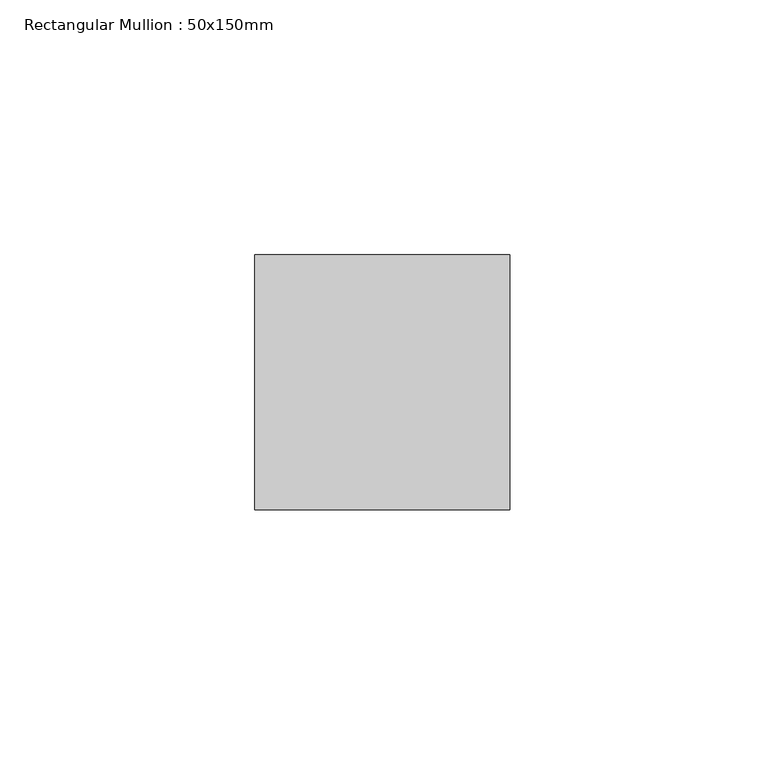
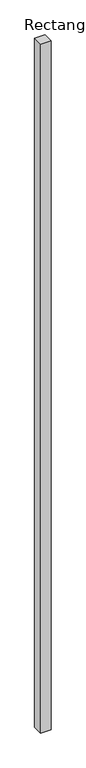
"""IFC4 building model written with IfcOpenShell, lengths in millimetres: member geometry, Rectangular Mullion : 50x150mm."""

from ifc_helpers import new_model, si_unit, frame, origin, place, context, project, spatial, polyline, outline, extrude, source, transform, mapped, element, save


def rectangular_mullion_50x150mm_070d1cbf(model_context):
    return source(origin(), model_context, "Body", "SweptSolid", [
        extrude(outline(polyline([(25.0, 25.0), (25.0, -25.0), (-25.0, -25.0), (-25.0, 25.0), (25.0, 25.0)])), frame((0.0, 0.0, -3535.0), z_axis=(0.0, 0.0, 1.0), x_axis=(1.0, 0.0, 0.0)), (0.0, 0.0, 1.0), 3535.0),
    ])


if __name__ == "__main__":
    model = new_model("IFC4")
    model_context = context("Model", 3, world=origin())
    ifc_project = project(units=[si_unit("LENGTHUNIT", "METRE", prefix="MILLI")], contexts=[model_context])
    site = spatial("IfcSite", under=ifc_project)
    building = spatial("IfcBuilding", under=site)
    placement = place(None, origin())
    rectangular_mullion_50x150mm_shape = rectangular_mullion_50x150mm_070d1cbf(model_context)
    element("IfcMember", 1, ObjectType="Rectangular Mullion : 50x150mm", at=placement, inside=building, context=model_context, shape_type="MappedRepresentation", body=[
        mapped(rectangular_mullion_50x150mm_shape, transform((0.0, 0.0, 0.0), x_axis=(1.0, 0.0, 0.0), y_axis=(0.0, 1.0, 0.0), z_axis=(0.0, 0.0, 1.0))),
    ])
    save(model, "model.ifc")
